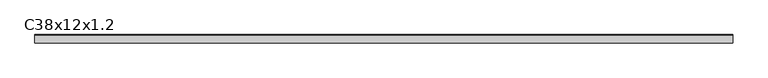
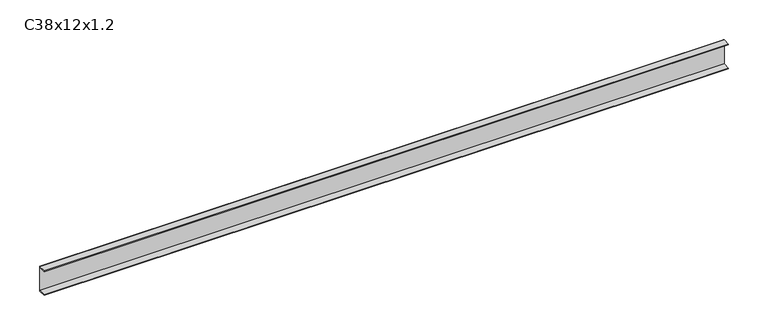
"""IFC4 building model written with IfcOpenShell, lengths in millimetres: proxy geometry, C38x12x1.2."""

from ifc_helpers import new_model, si_unit, point, frame, frame_2d, origin, place, context, project, spatial, polyline, circle_curve, trimmed, segment, composite_curve, outline, extrude, source, transform, mapped, element, save


def c38x12x1_2_54f5b966(model_context):
    return source(origin(), model_context, "Body", "SweptSolid", [
        extrude(outline(composite_curve([segment(polyline([(-6.0, 36.8), (-6.0, 38.0), (4.8, 38.0)]), True, "CONTINUOUS"), segment(trimmed(circle_curve(frame_2d((4.8, 36.8)), 1.2), [point((4.8, 38.0))], [point((6.0, 36.8))], False, "CARTESIAN"), True, "CONTINUOUS"), segment(polyline([(6.0, 36.8), (6.0, 1.2)]), True, "CONTINUOUS"), segment(trimmed(circle_curve(frame_2d((4.8, 1.2)), 1.2), [point((6.0, 1.2))], [point((4.8, 0.0))], False, "CARTESIAN"), True, "CONTINUOUS"), segment(polyline([(4.8, 0.0), (-6.0, 0.0), (-6.0, 1.2), (4.8, 1.2), (4.8, 36.8), (-6.0, 36.8)]), True, "CONTINUOUS")], self_intersect=False)), frame((0.0, 0.0, 0.0), z_axis=(1.0, 0.0, 0.0), x_axis=(0.0, 1.0, 0.0)), (0.0, 0.0, 1.0), 1000.0),
    ])


if __name__ == "__main__":
    model = new_model("IFC4")
    model_context = context("Model", 3, world=origin())
    ifc_project = project(units=[si_unit("LENGTHUNIT", "METRE", prefix="MILLI")], contexts=[model_context])
    site = spatial("IfcSite", under=ifc_project)
    building = spatial("IfcBuilding", under=site)
    placement = place(None, origin())
    c38x12x1_2_shape = c38x12x1_2_54f5b966(model_context)
    element("IfcBuildingElementProxy", 1, Name="C38x12x1.2", ObjectType="C38x12x1.2", at=placement, inside=building, context=model_context, shape_type="MappedRepresentation", body=[
        mapped(c38x12x1_2_shape, transform((0.0, 0.0, 0.0), x_axis=(1.0, 0.0, 0.0), y_axis=(0.0, 1.0, 0.0), z_axis=(0.0, 0.0, 1.0))),
    ])
    save(model, "model.ifc")
